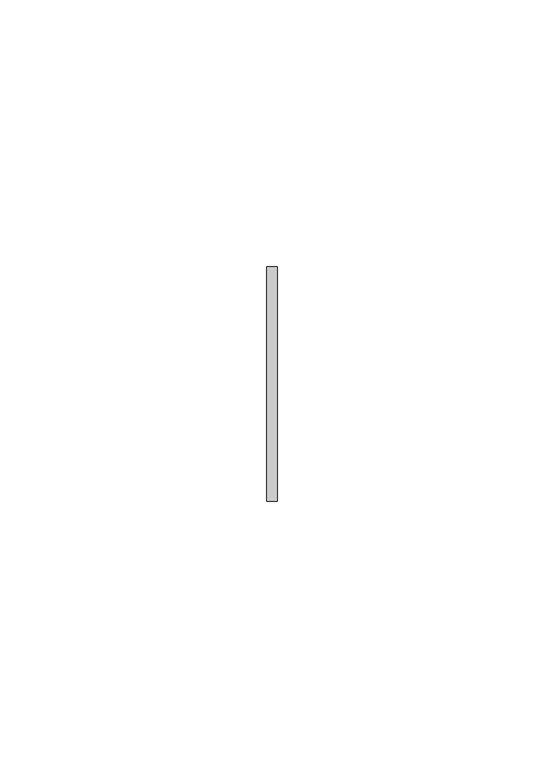
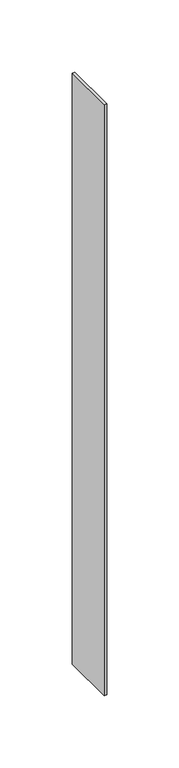
"""IFC4 building model written with IfcOpenShell, lengths in millimetres: member geometry."""

from ifc_helpers import new_model, si_unit, frame, origin, place, context, project, spatial, polyline, outline, extrude, source, transform, mapped, element, save


def member_8b7bef26(model_context):
    return source(origin(), model_context, "Body", "SweptSolid", [
        extrude(outline(polyline([(1.0, 22.0), (1.0, -22.0), (-1.0, -22.0), (-1.0, 22.0), (1.0, 22.0)])), frame((0.0, 0.0, -498.9999998), z_axis=(0.0, 0.0, 1.0), x_axis=(1.0, 0.0, 0.0)), (0.0, 0.0, 1.0), 498.9999998),
    ])


if __name__ == "__main__":
    model = new_model("IFC4")
    model_context = context("Model", 3, world=origin())
    ifc_project = project(units=[si_unit("LENGTHUNIT", "METRE", prefix="MILLI")], contexts=[model_context])
    site = spatial("IfcSite", under=ifc_project)
    building = spatial("IfcBuilding", under=site)
    placement = place(None, origin())
    member_shape = member_8b7bef26(model_context)
    element("IfcMember", 1, at=placement, inside=building, context=model_context, shape_type="MappedRepresentation", body=[
        mapped(member_shape, transform((0.0, 0.0, 0.0), x_axis=(1.0, 0.0, 0.0), y_axis=(0.0, 1.0, 0.0), z_axis=(0.0, 0.0, 1.0))),
    ])
    save(model, "model.ifc")
